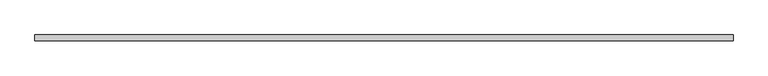
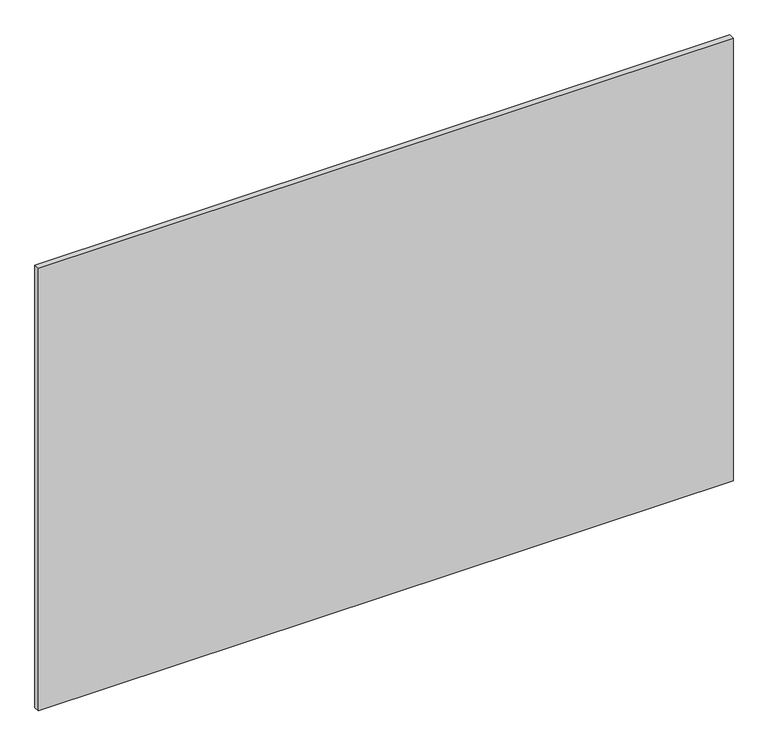
"""IFC4 building model written with IfcOpenShell, lengths in millimetres: plate geometry."""

from ifc_helpers import new_model, si_unit, origin, origin_with_axes, place, context, project, spatial, polyline, outline, extrude, source, transform, mapped, element, save


def plate_e27e345e(model_context):
    return source(origin(), model_context, "Body", "SweptSolid", [
        extrude(outline(polyline([(612.5, -20.0), (612.5, -30.0), (-612.5, -30.0), (-612.5, -20.0), (612.5, -20.0)])), origin_with_axes(), (0.0, 0.0, 1.0), 825.0),
    ])


if __name__ == "__main__":
    model = new_model("IFC4")
    model_context = context("Model", 3, world=origin())
    ifc_project = project(units=[si_unit("LENGTHUNIT", "METRE", prefix="MILLI")], contexts=[model_context])
    site = spatial("IfcSite", under=ifc_project)
    building = spatial("IfcBuilding", under=site)
    placement = place(None, origin())
    plate_shape = plate_e27e345e(model_context)
    element("IfcPlate", 1, at=placement, inside=building, context=model_context, shape_type="MappedRepresentation", body=[
        mapped(plate_shape, transform((0.0, 0.0, 0.0), x_axis=(1.0, 0.0, 0.0), y_axis=(0.0, 1.0, 0.0), z_axis=(0.0, 0.0, 1.0))),
    ])
    save(model, "model.ifc")
